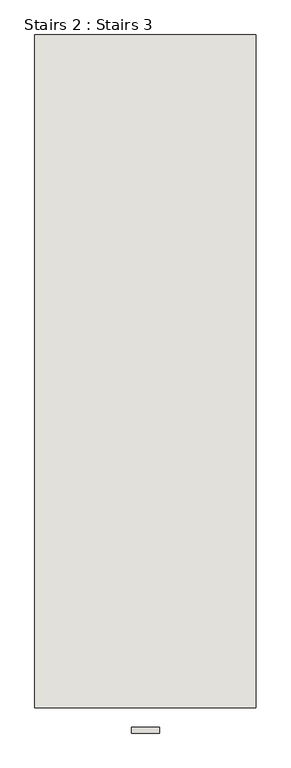
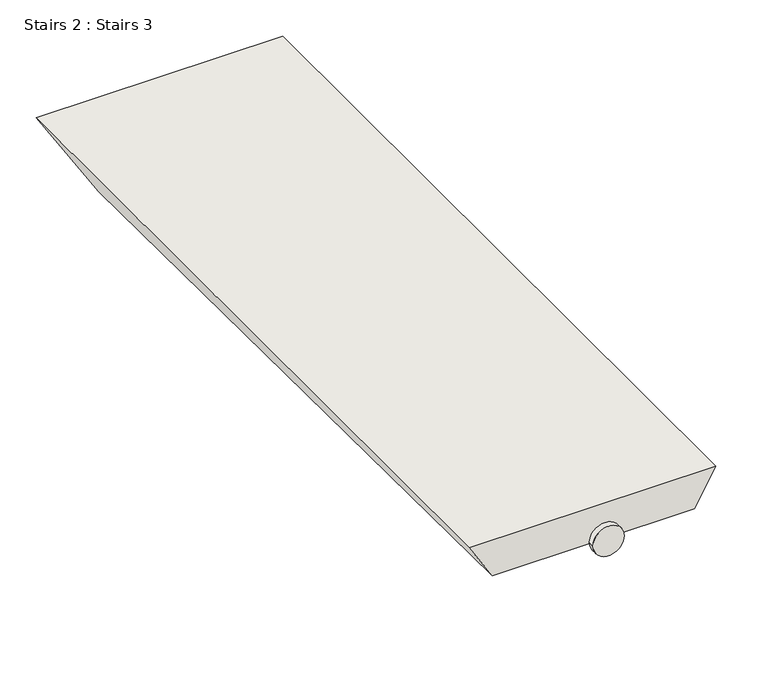
"""IFC4 building model written with IfcOpenShell, lengths in millimetres: wall geometry, Stairs 2 : Stairs 3."""

from ifc_helpers import new_model, si_unit, point, frame, frame_2d, origin, place, context, project, spatial, circle_curve, trimmed, segment, composite_curve, outline, extrude, faceted_brep, source, transform, mapped, element, save


def stairs_2_stairs_3_afd6090e(model_context):
    return source(origin(), model_context, "Body", "SolidModel", [
        extrude(outline(composite_curve([segment(trimmed(circle_curve(frame_2d((70831.6224856, 99142.0103297)), 25.0), [point((70831.6224856, 99167.0103297))], [point((70831.6224856, 99117.0103297))], False, "CARTESIAN"), True, "CONTINUOUS"), segment(trimmed(circle_curve(frame_2d((70831.6224856, 99142.0103297)), 25.0), [point((70831.6224856, 99117.0103297))], [point((70831.6224856, 99167.0103297))], False, "CARTESIAN"), True, "CONTINUOUS")], self_intersect=False)), frame((0.0, -36520.9230841, 0.0), z_axis=(0.0, 1.0, 0.0), x_axis=(0.0, 0.0, 1.0)), (0.0, 0.0, 1.0), 10.0),
        faceted_brep([(99339.3573094, -36475.9230841, 70861.6224856), (98944.66335, -36475.9230841, 70861.6224856), (98982.1555111, -36475.9230841, 70801.6224856), (99304.7162933, -36475.9230841, 70801.6224856), (98944.66335, -35275.9230841, 70861.6224856), (99339.3573094, -35275.9230841, 70861.6224856), (99246.9812663, -35275.9230841, 70701.6224856), (99044.6424463, -35275.9230841, 70701.6224856)], [[[0, 1, 2, 3]], [[4, 5, 6, 7]], [[5, 4, 1, 0]], [[7, 6, 3, 2]], [[2, 1, 4, 7]], [[0, 3, 6, 5]]]),
    ])


if __name__ == "__main__":
    model = new_model("IFC4")
    model_context = context("Model", 3, world=origin())
    ifc_project = project(units=[si_unit("LENGTHUNIT", "METRE", prefix="MILLI")], contexts=[model_context])
    site = spatial("IfcSite", under=ifc_project)
    building = spatial("IfcBuilding", under=site)
    placement = place(None, origin())
    stairs_2_stairs_3_shape = stairs_2_stairs_3_afd6090e(model_context)
    element("IfcWall", 1, ObjectType="Stairs 2 : Stairs 3", at=placement, inside=building, context=model_context, shape_type="MappedRepresentation", body=[
        mapped(stairs_2_stairs_3_shape, transform((0.0, 0.0, 0.0), x_axis=(1.0, 0.0, 0.0), y_axis=(0.0, 1.0, 0.0), z_axis=(0.0, 0.0, 1.0))),
    ])
    save(model, "model.ifc")
